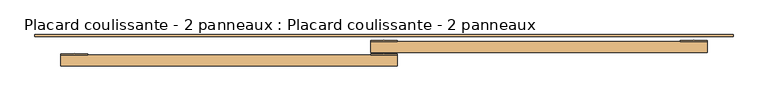
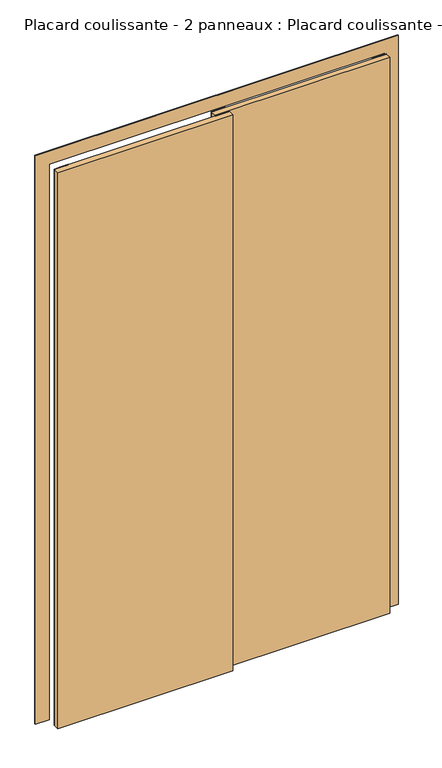
"""IFC4 building model written with IfcOpenShell, lengths in millimetres: door geometry, Placard coulissante - 2 panneaux : Placard coulissante - 2 panneaux."""

from ifc_helpers import new_model, si_unit, point, frame, frame_2d, origin, origin_with_axes, place, context, project, spatial, polyline, circle_curve, trimmed, segment, composite_curve, outline, extrude, source, transform, mapped, element, save


def placard_coulissante_2_panneaux_placard_coulissante_2_c3ce8989(model_context):
    return source(origin(), model_context, "Body", "SweptSolid", [
        extrude(outline(composite_curve([segment(polyline([(600.0, 65.0), (550.0, 65.0), (550.0, 67.0)]), True, "CONTINUOUS"), segment(trimmed(circle_curve(frame_2d((575.0, -146.8603852)), 215.3166607), [point((550.0, 67.0))], [point((600.0, 67.0))], False, "CARTESIAN"), True, "CONTINUOUS"), segment(polyline([(600.0, 67.0), (600.0, 65.0)]), True, "CONTINUOUS")], self_intersect=False)), origin_with_axes(), (0.0, 0.0, 1.0), 2100.0),
        extrude(outline(composite_curve([segment(polyline([(25.0, 65.0), (-25.0, 65.0), (-25.0, 67.0)]), True, "CONTINUOUS"), segment(trimmed(circle_curve(frame_2d((0.0, -146.8603852)), 215.3166607), [point((-25.0, 67.0))], [point((25.0, 67.0))], False, "CARTESIAN"), True, "CONTINUOUS"), segment(polyline([(25.0, 67.0), (25.0, 65.0)]), True, "CONTINUOUS")], self_intersect=False)), origin_with_axes(), (0.0, 0.0, 1.0), 2100.0),
        extrude(outline(composite_curve([segment(polyline([(25.0, 40.0), (-25.0, 40.0), (-25.0, 42.0)]), True, "CONTINUOUS"), segment(trimmed(circle_curve(frame_2d((0.0, -171.8603852)), 215.3166607), [point((-25.0, 42.0))], [point((25.0, 42.0))], False, "CARTESIAN"), True, "CONTINUOUS"), segment(polyline([(25.0, 42.0), (25.0, 40.0)]), True, "CONTINUOUS")], self_intersect=False)), origin_with_axes(), (0.0, 0.0, 1.0), 2100.0),
        extrude(outline(composite_curve([segment(polyline([(-550.0, 40.0), (-600.0, 40.0), (-600.0, 42.0)]), True, "CONTINUOUS"), segment(trimmed(circle_curve(frame_2d((-575.0, -171.8603852)), 215.3166607), [point((-600.0, 42.0))], [point((-550.0, 42.0))], False, "CARTESIAN"), True, "CONTINUOUS"), segment(polyline([(-550.0, 42.0), (-550.0, 40.0)]), True, "CONTINUOUS")], self_intersect=False)), origin_with_axes(), (0.0, 0.0, 1.0), 2100.0),
        extrude(outline(polyline([(0.0, -598.0), (2098.0, -598.0), (2098.0, 598.0), (0.0, 598.0), (0.0, 648.0), (2148.0, 648.0), (2148.0, -648.0), (0.0, -648.0), (0.0, -598.0)])), frame((0.0, 75.0, 0.0), z_axis=(0.0, 1.0, 0.0), x_axis=(0.0, 0.0, 1.0)), (0.0, 0.0, 1.0), 3.0),
        extrude(outline(polyline([(600.0, 65.0), (600.0, 45.0), (-25.0, 45.0), (-25.0, 65.0), (600.0, 65.0)])), origin_with_axes(), (0.0, 0.0, 1.0), 2100.0),
        extrude(outline(polyline([(25.0, 40.0), (25.0, 20.0), (-600.0, 20.0), (-600.0, 40.0), (25.0, 40.0)])), origin_with_axes(), (0.0, 0.0, 1.0), 2100.0),
    ])


if __name__ == "__main__":
    model = new_model("IFC4")
    model_context = context("Model", 3, world=origin())
    ifc_project = project(units=[si_unit("LENGTHUNIT", "METRE", prefix="MILLI")], contexts=[model_context])
    site = spatial("IfcSite", under=ifc_project)
    building = spatial("IfcBuilding", under=site)
    placement = place(None, origin())
    placard_coulissante_2_panneaux_placard_coulissante_2_shape = placard_coulissante_2_panneaux_placard_coulissante_2_c3ce8989(model_context)
    element("IfcDoor", 1, ObjectType="Placard coulissante - 2 panneaux : Placard coulissante - 2 panneaux", at=placement, inside=building, context=model_context, shape_type="MappedRepresentation", body=[
        mapped(placard_coulissante_2_panneaux_placard_coulissante_2_shape, transform((0.0, 0.0, 0.0), x_axis=(1.0, 0.0, 0.0), y_axis=(0.0, 1.0, 0.0), z_axis=(0.0, 0.0, 1.0))),
    ])
    save(model, "model.ifc")
